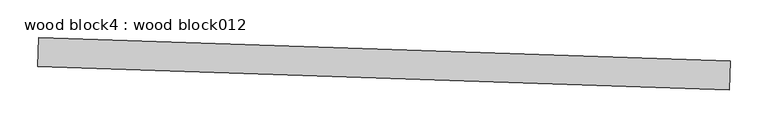
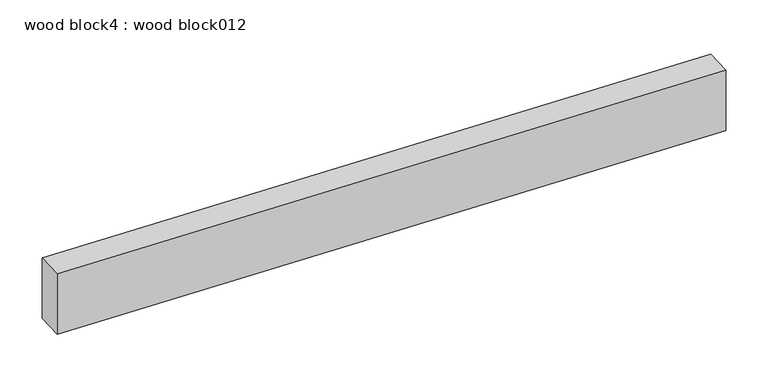
"""IFC4 building model written with IfcOpenShell, lengths in millimetres: proxy geometry, wood block4 : wood block012."""

from ifc_helpers import new_model, si_unit, frame, origin, place, context, project, spatial, polyline, outline, extrude, source, transform, mapped, element, save


def wood_block4_wood_block012_4eacd44d(model_context):
    return source(origin(), model_context, "Body", "SweptSolid", [
        extrude(outline(polyline([(33378.3446536, -17261.5996433), (33379.6473911, -17223.5219218), (34293.5127072, -17254.7876223), (34292.2099697, -17292.8653438), (33378.3446536, -17261.5996433)])), frame((0.0, 0.0, 2986.0250248), z_axis=(0.0, 0.0, 1.0), x_axis=(1.0, 0.0, 0.0)), (0.0, 0.0, 1.0), 88.9),
    ])


if __name__ == "__main__":
    model = new_model("IFC4")
    model_context = context("Model", 3, world=origin())
    ifc_project = project(units=[si_unit("LENGTHUNIT", "METRE", prefix="MILLI")], contexts=[model_context])
    site = spatial("IfcSite", under=ifc_project)
    building = spatial("IfcBuilding", under=site)
    placement = place(None, origin())
    wood_block4_wood_block012_shape = wood_block4_wood_block012_4eacd44d(model_context)
    element("IfcBuildingElementProxy", 1, Name="wood block4 : wood block012", ObjectType="wood block4 : wood block012", at=placement, inside=building, context=model_context, shape_type="MappedRepresentation", body=[
        mapped(wood_block4_wood_block012_shape, transform((0.0, 0.0, 0.0), x_axis=(1.0, 0.0, 0.0), y_axis=(0.0, 1.0, 0.0), z_axis=(0.0, 0.0, 1.0))),
    ])
    save(model, "model.ifc")
